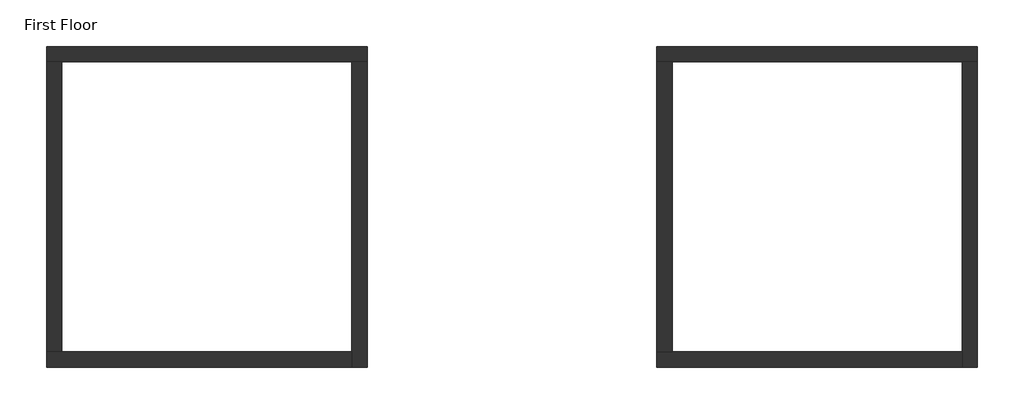
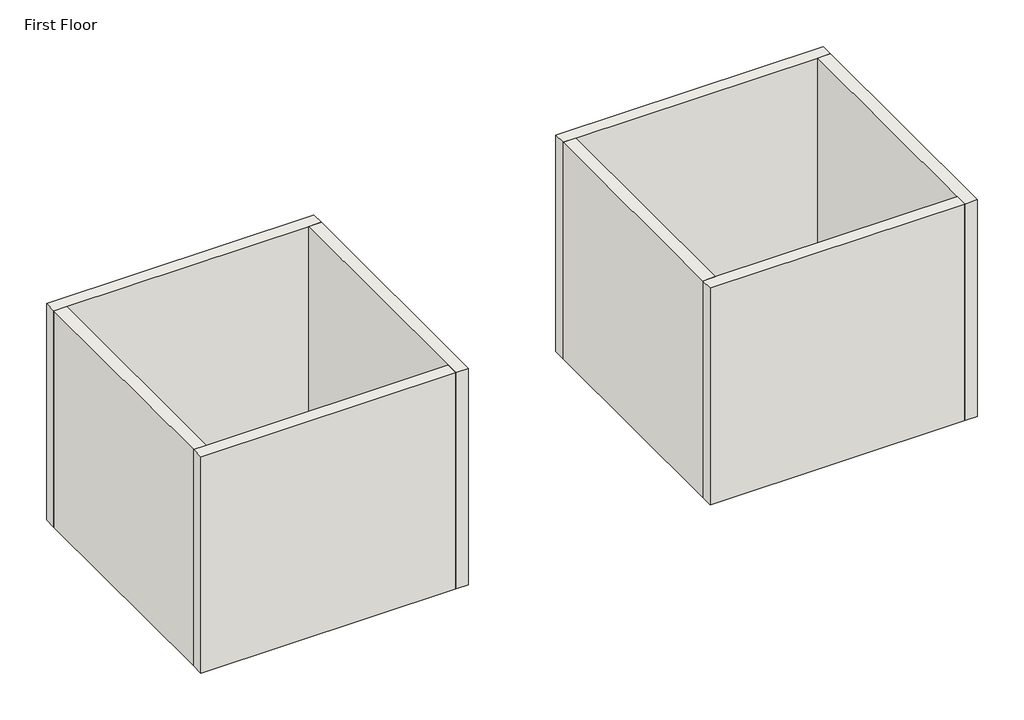
# One storey: 8 walls.
"""IFC4 building model written with IfcOpenShell, lengths in millimetres."""

from ifc_helpers import new_model, si_unit, origin, origin_with_axes, place, context, project, spatial, polyline, outline, extrude, faceted_brep, element, save

model = new_model("IFC4")

# Units and contexts
model_context = context("Model", 3, world=origin())
ifc_project = project(units=[si_unit("LENGTHUNIT", "METRE", prefix="MILLI")], contexts=[model_context])

# Site, building, storey
site = spatial("IfcSite", under=ifc_project)
building = spatial("IfcBuilding", under=site)
storey = spatial("IfcBuildingStorey", under=building, Name="First Floor", Elevation=0.0)

# Walls
placement = place(None, origin())
element("IfcWall", 1, ObjectType="Generic - 6\"", at=placement, inside=storey, context=model_context, shape_type="Brep", body=[
    faceted_brep([(-6732.755879, 4103.4073939, 0.0), (-6580.355879, 4103.4073939, 0.0), (-3684.755879, 4103.4073939, 0.0), (-3532.355879, 4103.4073939, 0.0), (-3532.355879, 4103.4073939, 2743.2), (-3684.755879, 4103.4073939, 2743.2), (-6580.355879, 4103.4073939, 2743.2), (-6732.755879, 4103.4073939, 2743.2), (-6732.755879, 4255.8073939, 0.0), (-6732.755879, 4255.8073939, 2743.2), (-3532.355879, 4255.8073939, 2743.2), (-3532.355879, 4255.8073939, 0.0)], [[[0, 1, 2, 3, 4, 5, 6, 7]], [[8, 9, 10, 11]], [[3, 2, 1, 0, 8, 11]], [[7, 6, 5, 4, 10, 9]], [[4, 3, 11, 10]], [[0, 7, 9, 8]]]),
])
element("IfcWall", 2, ObjectType="Generic - 6\"", at=placement, inside=storey, context=model_context, shape_type="Brep", body=[
    faceted_brep([(-3684.755879, 4103.4073939, 0.0), (-3684.755879, 1207.8073939, 0.0), (-3684.755879, 1055.4073939, 0.0), (-3684.755879, 1055.4073939, 2743.2), (-3684.755879, 1207.8073939, 2743.2), (-3684.755879, 4103.4073939, 2743.2), (-3532.355879, 4103.4073939, 0.0), (-3532.355879, 4103.4073939, 2743.2), (-3532.355879, 1055.4073939, 2743.2), (-3532.355879, 1055.4073939, 0.0)], [[[0, 1, 2, 3, 4, 5]], [[6, 7, 8, 9]], [[2, 1, 0, 6, 9]], [[5, 4, 3, 8, 7]], [[0, 5, 7, 6]], [[3, 2, 9, 8]]]),
])
element("IfcWall", 3, ObjectType="Generic - 6\"", at=placement, inside=storey, context=model_context, shape_type="Brep", body=[
    faceted_brep([(-3684.755879, 1207.8073939, 0.0), (-6580.355879, 1207.8073939, 0.0), (-6732.755879, 1207.8073939, 0.0), (-6732.755879, 1207.8073939, 2743.2), (-6580.355879, 1207.8073939, 2743.2), (-3684.755879, 1207.8073939, 2743.2), (-3684.755879, 1055.4073939, 0.0), (-3684.755879, 1055.4073939, 2743.2), (-6732.755879, 1055.4073939, 2743.2), (-6732.755879, 1055.4073939, 0.0)], [[[0, 1, 2, 3, 4, 5]], [[6, 7, 8, 9]], [[2, 1, 0, 6, 9]], [[5, 4, 3, 8, 7]], [[0, 5, 7, 6]], [[3, 2, 9, 8]]]),
])
element("IfcWall", 4, ObjectType="Generic - 6\"", at=placement, inside=storey, context=model_context, shape_type="SweptSolid", body=[
    extrude(outline(polyline([(-6580.355879, 4103.4073939), (-6580.355879, 1207.8073939), (-6732.755879, 1207.8073939), (-6732.755879, 4103.4073939), (-6580.355879, 4103.4073939)])), origin_with_axes(), (0.0, 0.0, 1.0), 2743.2),
])
element("IfcWall", 5, ObjectType="Generic - 6\"", at=placement, inside=storey, context=model_context, shape_type="Brep", body=[
    faceted_brep([(-636.755879, 4103.4073939, 0.0), (-484.355879, 4103.4073939, 0.0), (2411.244121, 4103.4073939, 0.0), (2563.644121, 4103.4073939, 0.0), (2563.644121, 4103.4073939, 2743.2), (2411.244121, 4103.4073939, 2743.2), (-484.355879, 4103.4073939, 2743.2), (-636.755879, 4103.4073939, 2743.2), (-636.755879, 4255.8073939, 0.0), (-636.755879, 4255.8073939, 2743.2), (2563.644121, 4255.8073939, 2743.2), (2563.644121, 4255.8073939, 0.0)], [[[0, 1, 2, 3, 4, 5, 6, 7]], [[8, 9, 10, 11]], [[3, 2, 1, 0, 8, 11]], [[7, 6, 5, 4, 10, 9]], [[4, 3, 11, 10]], [[0, 7, 9, 8]]]),
])
element("IfcWall", 6, ObjectType="Generic - 6\"", at=placement, inside=storey, context=model_context, shape_type="Brep", body=[
    faceted_brep([(2411.244121, 4103.4073939, 0.0), (2411.244121, 1207.8073939, 0.0), (2411.244121, 1055.4073939, 0.0), (2411.244121, 1055.4073939, 2743.2), (2411.244121, 1207.8073939, 2743.2), (2411.244121, 4103.4073939, 2743.2), (2563.644121, 4103.4073939, 0.0), (2563.644121, 4103.4073939, 2743.2), (2563.644121, 1055.4073939, 2743.2), (2563.644121, 1055.4073939, 0.0)], [[[0, 1, 2, 3, 4, 5]], [[6, 7, 8, 9]], [[2, 1, 0, 6, 9]], [[5, 4, 3, 8, 7]], [[0, 5, 7, 6]], [[3, 2, 9, 8]]]),
])
element("IfcWall", 7, ObjectType="Generic - 6\"", at=placement, inside=storey, context=model_context, shape_type="Brep", body=[
    faceted_brep([(2411.244121, 1207.8073939, 0.0), (-484.355879, 1207.8073939, 0.0), (-636.755879, 1207.8073939, 0.0), (-636.755879, 1207.8073939, 2743.2), (-484.355879, 1207.8073939, 2743.2), (2411.244121, 1207.8073939, 2743.2), (2411.244121, 1055.4073939, 0.0), (2411.244121, 1055.4073939, 2743.2), (-636.755879, 1055.4073939, 2743.2), (-636.755879, 1055.4073939, 0.0)], [[[0, 1, 2, 3, 4, 5]], [[6, 7, 8, 9]], [[2, 1, 0, 6, 9]], [[5, 4, 3, 8, 7]], [[0, 5, 7, 6]], [[3, 2, 9, 8]]]),
])
element("IfcWall", 8, ObjectType="Generic - 6\"", at=placement, inside=storey, context=model_context, shape_type="SweptSolid", body=[
    extrude(outline(polyline([(-484.355879, 4103.4073939), (-484.355879, 1207.8073939), (-636.755879, 1207.8073939), (-636.755879, 4103.4073939), (-484.355879, 4103.4073939)])), origin_with_axes(), (0.0, 0.0, 1.0), 2743.2),
])

save(model, "model.ifc")
